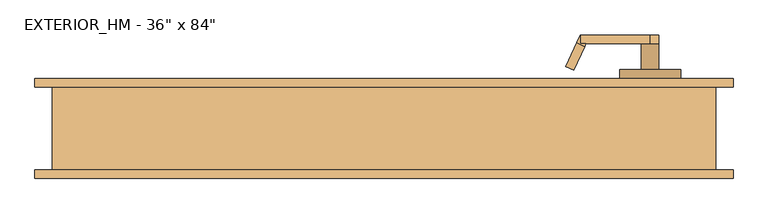
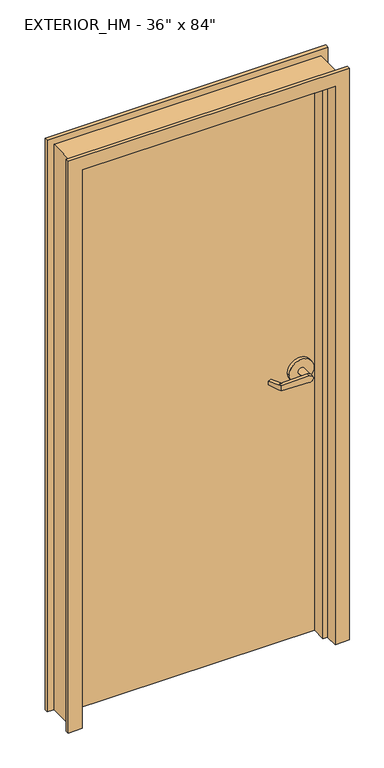
"""IFC4 building model written with IfcOpenShell, lengths in millimetres: door geometry."""

from ifc_helpers import new_model, si_unit, frame, origin, origin_with_axes, place, context, project, spatial, polyline, circle_curve, outline, extrude, faceted_brep, source, transform, mapped, element, save
from ifc_brep_helpers import plane_surface, cylinder_surface, advanced_brep


def door_cdde29d0(model_context):
    return source(origin(), model_context, "Body", "SolidModel", [
        advanced_brep(
        [(291.892857, -18.0476392, 1006.475), (275.7911012, 16.4826875, 1009.65), (275.7911012, 16.4826875, 1022.35), (291.892857, -18.0476392, 1025.525), (293.8407923, -22.225, 1025.525), (293.8407923, -22.225, 1006.475), (285.75, -34.925, 1025.525), (280.3827481, -23.4148911, 1025.525), (264.2809923, 11.1154356, 1022.35), (264.2809923, 11.1154356, 1009.65), (280.3827481, -23.4148911, 1006.475), (285.75, -34.925, 1006.475), (285.75, -22.225, 1006.475), (285.75, -22.225, 1025.525), (386.9525418, -34.925, 1003.3062209), (386.9525418, -34.925, 1028.6937791), (386.9525418, -22.225, 1028.6937791), (374.65, -22.225, 1016.0), (386.9525418, -22.225, 1003.3062209), (400.05, -22.225, 1016.0), (400.05, 15.875, 1016.0), (374.65, 15.875, 1016.0), (431.8, 15.875, 1016.0), (342.9, 15.875, 1016.0), (431.8, 28.575, 1016.0), (342.9, 28.575, 1016.0)],
        [
            (0, 1),
            (1, 2),
            (2, 3),
            (3, 4),
            (4, 5),
            (5, 0),
            (6, 7),
            (7, 8),
            (8, 9),
            (9, 10),
            (10, 11),
            (11, 6),
            (10, 0),
            (5, 12),
            (12, 11),
            (9, 1),
            (8, 2),
            (7, 3),
            (6, 13),
            (13, 4),
            (11, 14),
            (14, 15, circle_curve(frame((387.35, -34.925, 1016.0), z_axis=(0.0, -1.0, 0.0), x_axis=(-1.0, 0.0, 0.0)), 12.7)),
            (15, 6),
            (13, 16),
            (16, 17, circle_curve(frame((387.35, -22.225, 1016.0), z_axis=(0.0, -1.0, 0.0), x_axis=(-1.0, 0.0, 0.0)), 12.7)),
            (17, 18, circle_curve(frame((387.35, -22.225, 1016.0), z_axis=(0.0, -1.0, 0.0), x_axis=(-1.0, 0.0, 0.0)), 12.7)),
            (18, 12),
            (18, 14),
            (18, 19, circle_curve(frame((387.35, -22.225, 1016.0), z_axis=(0.0, -1.0, 0.0), x_axis=(-1.0, 0.0, 0.0)), 12.7)),
            (19, 16, circle_curve(frame((387.35, -22.225, 1016.0), z_axis=(0.0, -1.0, 0.0), x_axis=(-1.0, 0.0, 0.0)), 12.7)),
            (16, 15),
            (19, 20),
            (20, 21, circle_curve(frame((387.35, 15.875, 1016.0), z_axis=(0.0, -1.0, 0.0), x_axis=(-1.0, 0.0, 0.0)), 12.7)),
            (21, 17),
            (21, 20, circle_curve(frame((387.35, 15.875, 1016.0), z_axis=(0.0, -1.0, 0.0), x_axis=(-1.0, 0.0, 0.0)), 12.7)),
            (22, 23, circle_curve(frame((387.35, 15.875, 1016.0), z_axis=(0.0, -1.0, 0.0), x_axis=(-1.0, 0.0, 0.0)), 44.45)),
            (23, 22, circle_curve(frame((387.35, 15.875, 1016.0), z_axis=(0.0, -1.0, 0.0), x_axis=(-1.0, 0.0, 0.0)), 44.45)),
            (24, 25, circle_curve(frame((387.35, 28.575, 1016.0), z_axis=(0.0, 1.0, 0.0), x_axis=(-1.0, 0.0, 0.0)), 44.45)),
            (25, 24, circle_curve(frame((387.35, 28.575, 1016.0), z_axis=(0.0, 1.0, 0.0), x_axis=(-1.0, 0.0, 0.0)), 44.45)),
            (22, 24),
            (25, 23),
        ],
        [
            plane_surface(frame((297.2601089, -29.5577481, 1006.475), z_axis=(0.9063077870366494, 0.4226182617407007, 0.0), x_axis=(0.0, 0.0, -1.0))),
            plane_surface(frame((285.75, -34.925, 1006.475), z_axis=(-0.9063077870366494, -0.4226182617407007, 0.0), x_axis=(0.0, 0.0, 1.0))),
            plane_surface(frame((297.2601089, -29.5577481, 1006.475), z_axis=(0.0, 0.0, -1.0000000000000002), x_axis=(-0.9063077870366494, -0.42261826174070094, 0.0))),
            plane_surface(frame((291.892857, -18.0476392, 1006.475), z_axis=(-0.035096536341209586, 0.07526476506963879, -0.9965457582448799), x_axis=(-0.9063077870366494, -0.42261826174070094, 0.0))),
            plane_surface(frame((275.7911012, 16.4826875, 1009.65), z_axis=(-0.42261826174070094, 0.9063077870366494, 0.0), x_axis=(-0.9063077870366494, -0.42261826174070094, 0.0))),
            plane_surface(frame((275.7911012, 16.4826875, 1022.35), z_axis=(-0.03509653634121044, 0.07526476506964089, 0.9965457582448796), x_axis=(-0.9063077870366495, -0.42261826174070033, 0.0))),
            plane_surface(frame((291.892857, -18.0476392, 1025.525), z_axis=(0.0, 0.0, 1.0000000000000002), x_axis=(-0.9063077870366494, -0.42261826174070094, 0.0))),
            plane_surface(frame((285.75, -34.925, 1006.475), z_axis=(0.0, -1.0, 0.0), x_axis=(0.9995101626549141, 0.0, -0.03129592225110647))),
            plane_surface(frame((285.75, -22.225, 1006.475), z_axis=(0.0, 1.0, 0.0), x_axis=(-0.9995101626549141, 0.0, 0.03129592225110647))),
            plane_surface(frame((285.75, -34.925, 1006.475), z_axis=(-0.03129592225110647, 0.0, -0.9995101626549141), x_axis=(0.0, 1.0, 0.0))),
            cylinder_surface(frame((387.35, -22.225, 1016.0), z_axis=(0.0, -1.0, 0.0), x_axis=(-1.0, 0.0, 0.0)), 12.7),
            plane_surface(frame((386.9525418, -34.925, 1028.6937791), z_axis=(-0.03129592225110282, 0.0, 0.9995101626549142), x_axis=(0.0, 1.0, 0.0))),
            cylinder_surface(frame((387.35, 15.875, 1016.0), z_axis=(0.0, -1.0, 0.0), x_axis=(-1.0, 0.0, 0.0)), 12.7),
            plane_surface(frame((342.9, 15.875, 1016.0), z_axis=(0.0, -1.0, 0.0), x_axis=(0.0, 0.0, -1.0))),
            plane_surface(frame((342.9, 28.575, 1016.0), z_axis=(0.0, 1.0, 0.0), x_axis=(0.0, 0.0, 1.0))),
            cylinder_surface(frame((387.35, 28.575, 1016.0), z_axis=(0.0, -1.0, 0.0), x_axis=(-1.0, 0.0, 0.0)), 44.45),
        ],
        [
            (0, [[1, 2, 3, 4, 5, 6]]),
            (1, [[7, 8, 9, 10, 11, 12]]),
            (2, [[-11, 13, -6, 14, 15]]),
            (3, [[-1, -13, -10, 16]]),
            (4, [[-2, -16, -9, 17]]),
            (5, [[-3, -17, -8, 18]]),
            (6, [[-7, 19, 20, -4, -18]]),
            (7, [[21, 22, 23, -12]]),
            (8, [[24, 25, 26, 27, -14, -5, -20]]),
            (9, [[-21, -15, -27, 28]]),
            (10, [[-22, -28, 29, 30, 31]]),
            (11, [[-23, -31, -24, -19]]),
            (12, [[32, 33, 34, -25, -30]]),
            (12, [[-32, -29, -26, -34, 35]]),
            (13, [[36, 37], [-33, -35]]),
            (14, [[38, 39]]),
            (15, [[-36, 40, -39, 41]]),
            (15, [[-37, -41, -38, -40]]),
        ],
    ),
        advanced_brep(
        [(291.892857, 119.6476392, 1025.525), (275.7911012, 85.1173125, 1022.35), (275.7911012, 85.1173125, 1009.65), (291.892857, 119.6476392, 1006.475), (293.8407923, 123.825, 1006.475), (293.8407923, 123.825, 1025.525), (285.75, 136.525, 1006.475), (280.3827481, 125.0148911, 1006.475), (264.2809923, 90.4845644, 1009.65), (264.2809923, 90.4845644, 1022.35), (280.3827481, 125.0148911, 1025.525), (285.75, 136.525, 1025.525), (285.75, 123.825, 1025.525), (285.75, 123.825, 1006.475), (386.9525418, 136.525, 1028.6937791), (386.9525418, 136.525, 1003.3062209), (386.9525418, 123.825, 1003.3062209), (374.65, 123.825, 1016.0), (386.9525418, 123.825, 1028.6937791), (400.05, 123.825, 1016.0), (400.05, 85.725, 1016.0), (374.65, 85.725, 1016.0), (431.8, 85.725, 1016.0), (342.9, 85.725, 1016.0), (431.8, 73.025, 1016.0), (342.9, 73.025, 1016.0)],
        [
            (0, 1),
            (1, 2),
            (2, 3),
            (3, 4),
            (4, 5),
            (5, 0),
            (6, 7),
            (7, 8),
            (8, 9),
            (9, 10),
            (10, 11),
            (11, 6),
            (10, 0),
            (5, 12),
            (12, 11),
            (9, 1),
            (8, 2),
            (7, 3),
            (6, 13),
            (13, 4),
            (11, 14),
            (14, 15, circle_curve(frame((387.35, 136.525, 1016.0), z_axis=(0.0, 1.0, 0.0), x_axis=(-1.0, 0.0, 0.0)), 12.7)),
            (15, 6),
            (13, 16),
            (16, 17, circle_curve(frame((387.35, 123.825, 1016.0), z_axis=(0.0, 1.0, 0.0), x_axis=(-1.0, 0.0, 0.0)), 12.7)),
            (17, 18, circle_curve(frame((387.35, 123.825, 1016.0), z_axis=(0.0, 1.0, 0.0), x_axis=(-1.0, 0.0, 0.0)), 12.7)),
            (18, 12),
            (18, 14),
            (18, 19, circle_curve(frame((387.35, 123.825, 1016.0), z_axis=(0.0, 1.0, 0.0), x_axis=(-1.0, 0.0, 0.0)), 12.7)),
            (19, 16, circle_curve(frame((387.35, 123.825, 1016.0), z_axis=(0.0, 1.0, 0.0), x_axis=(-1.0, 0.0, 0.0)), 12.7)),
            (16, 15),
            (19, 20),
            (20, 21, circle_curve(frame((387.35, 85.725, 1016.0), z_axis=(0.0, 1.0, 0.0), x_axis=(-1.0, 0.0, 0.0)), 12.7)),
            (21, 17),
            (21, 20, circle_curve(frame((387.35, 85.725, 1016.0), z_axis=(0.0, 1.0, 0.0), x_axis=(-1.0, 0.0, 0.0)), 12.7)),
            (22, 23, circle_curve(frame((387.35, 85.725, 1016.0), z_axis=(0.0, 1.0, 0.0), x_axis=(-1.0, 0.0, 0.0)), 44.45)),
            (23, 22, circle_curve(frame((387.35, 85.725, 1016.0), z_axis=(0.0, 1.0, 0.0), x_axis=(-1.0, 0.0, 0.0)), 44.45)),
            (24, 25, circle_curve(frame((387.35, 73.025, 1016.0), z_axis=(0.0, -1.0, 0.0), x_axis=(-1.0, 0.0, 0.0)), 44.45)),
            (25, 24, circle_curve(frame((387.35, 73.025, 1016.0), z_axis=(0.0, -1.0, 0.0), x_axis=(-1.0, 0.0, 0.0)), 44.45)),
            (22, 24),
            (25, 23),
        ],
        [
            plane_surface(frame((297.2601089, 131.1577481, 1025.525), z_axis=(0.9063077870366494, -0.4226182617407007, 0.0), x_axis=(0.0, 0.0, 1.0))),
            plane_surface(frame((285.75, 136.525, 1025.525), z_axis=(-0.9063077870366494, 0.4226182617407007, 0.0), x_axis=(0.0, 0.0, -1.0))),
            plane_surface(frame((297.2601089, 131.1577481, 1025.525), z_axis=(0.0, 0.0, 1.0000000000000002), x_axis=(-0.9063077870366494, 0.42261826174070094, 0.0))),
            plane_surface(frame((291.892857, 119.6476392, 1025.525), z_axis=(-0.03509653634120952, -0.07526476506963879, 0.9965457582448799), x_axis=(-0.9063077870366494, 0.42261826174070094, 0.0))),
            plane_surface(frame((275.7911012, 85.1173125, 1022.35), z_axis=(-0.42261826174070094, -0.9063077870366494, 0.0), x_axis=(-0.9063077870366494, 0.42261826174070094, 0.0))),
            plane_surface(frame((275.7911012, 85.1173125, 1009.65), z_axis=(-0.03509653634121051, -0.07526476506964089, -0.9965457582448796), x_axis=(-0.9063077870366495, 0.42261826174070033, 0.0))),
            plane_surface(frame((291.892857, 119.6476392, 1006.475), z_axis=(0.0, 0.0, -1.0000000000000002), x_axis=(-0.9063077870366494, 0.42261826174070094, 0.0))),
            plane_surface(frame((285.75, 136.525, 1025.525), z_axis=(0.0, 1.0, 0.0), x_axis=(0.9995101626549141, 0.0, 0.0312959222511064))),
            plane_surface(frame((285.75, 123.825, 1025.525), z_axis=(0.0, -1.0, 0.0), x_axis=(-0.9995101626549141, 0.0, -0.0312959222511064))),
            plane_surface(frame((285.75, 136.525, 1025.525), z_axis=(-0.0312959222511064, 0.0, 0.9995101626549141), x_axis=(0.0, -1.0, 0.0))),
            cylinder_surface(frame((387.35, 123.825, 1016.0), z_axis=(0.0, 1.0, 0.0), x_axis=(-1.0, 0.0, 0.0)), 12.7),
            plane_surface(frame((386.9525418, 136.525, 1003.3062209), z_axis=(-0.03129592225110289, 0.0, -0.9995101626549142), x_axis=(0.0, -1.0, 0.0))),
            cylinder_surface(frame((387.35, 85.725, 1016.0), z_axis=(0.0, 1.0, 0.0), x_axis=(-1.0, 0.0, 0.0)), 12.7),
            plane_surface(frame((342.9, 85.725, 1016.0), z_axis=(0.0, 1.0, 0.0), x_axis=(0.0, 0.0, 1.0))),
            plane_surface(frame((342.9, 73.025, 1016.0), z_axis=(0.0, -1.0, 0.0), x_axis=(0.0, 0.0, -1.0))),
            cylinder_surface(frame((387.35, 73.025, 1016.0), z_axis=(0.0, 1.0, 0.0), x_axis=(-1.0, 0.0, 0.0)), 44.45),
        ],
        [
            (0, [[1, 2, 3, 4, 5, 6]]),
            (1, [[7, 8, 9, 10, 11, 12]]),
            (2, [[-11, 13, -6, 14, 15]]),
            (3, [[-1, -13, -10, 16]]),
            (4, [[-2, -16, -9, 17]]),
            (5, [[-3, -17, -8, 18]]),
            (6, [[-7, 19, 20, -4, -18]]),
            (7, [[21, 22, 23, -12]]),
            (8, [[24, 25, 26, 27, -14, -5, -20]]),
            (9, [[-21, -15, -27, 28]]),
            (10, [[-22, -28, 29, 30, 31]]),
            (11, [[-23, -31, -24, -19]]),
            (12, [[32, 33, 34, -25, -30]]),
            (12, [[-32, -29, -26, -34, 35]]),
            (13, [[36, 37], [-33, -35]]),
            (14, [[38, 39]]),
            (15, [[-36, 40, -39, 41]]),
            (15, [[-37, -41, -38, -40]]),
        ],
    ),
        extrude(outline(polyline([(-457.2, 73.025), (457.2, 73.025), (457.2, 28.575), (-457.2, 28.575), (-457.2, 73.025)])), origin_with_axes(), (0.0, 0.0, 1.0), 2133.6),
        faceted_brep([(-457.2, 73.025, 0.0), (-457.2, 25.2662566, 0.0), (-441.325, 25.2662566, 0.0), (-441.325, -25.2662566, 0.0), (-457.2, -25.2662566, 0.0), (-457.2, -73.025, 0.0), (-508.0, -73.025, 0.0), (-508.0, -60.325, 0.0), (-482.6, -60.325, 0.0), (-482.6, 60.325, 0.0), (-508.0, 60.325, 0.0), (-508.0, 73.025, 0.0), (-457.2, 73.025, 2133.6), (-457.2, 25.2662566, 2133.6), (457.2, 25.2662566, 2133.6), (457.2, 25.2662566, 0.0), (441.325, 25.2662566, 0.0), (441.325, 25.2662566, 2117.725), (-441.325, 25.2662566, 2117.725), (-441.325, -25.2662566, 2117.725), (441.325, -25.2662566, 2117.725), (441.325, -25.2662566, 0.0), (457.2, -25.2662566, 0.0), (457.2, -25.2662566, 2133.6), (-457.2, -25.2662566, 2133.6), (-457.2, -73.025, 2133.6), (457.2, -73.025, 2133.6), (457.2, -73.025, 0.0), (508.0, -73.025, 0.0), (508.0, -73.025, 2184.4), (-508.0, -73.025, 2184.4), (-508.0, -60.325, 2184.4), (508.0, -60.325, 2184.4), (508.0, -60.325, 0.0), (482.6, -60.325, 0.0), (482.6, -60.325, 2159.0), (-482.6, -60.325, 2159.0), (-482.6, 60.325, 2159.0), (482.6, 60.325, 2159.0), (482.6, 60.325, 0.0), (508.0, 60.325, 0.0), (508.0, 60.325, 2184.4), (-508.0, 60.325, 2184.4), (-508.0, 73.025, 2184.4), (508.0, 73.025, 2184.4), (508.0, 73.025, 0.0), (457.2, 73.025, 0.0), (457.2, 73.025, 2133.6)], [[[0, 1, 2, 3, 4, 5, 6, 7, 8, 9, 10, 11]], [[1, 0, 12, 13]], [[2, 1, 13, 14, 15, 16, 17, 18]], [[3, 2, 18, 19]], [[4, 3, 19, 20, 21, 22, 23, 24]], [[5, 4, 24, 25]], [[6, 5, 25, 26, 27, 28, 29, 30]], [[7, 6, 30, 31]], [[8, 7, 31, 32, 33, 34, 35, 36]], [[9, 8, 36, 37]], [[10, 9, 37, 38, 39, 40, 41, 42]], [[11, 10, 42, 43]], [[0, 11, 43, 44, 45, 46, 47, 12]], [[14, 47, 46, 15]], [[46, 45, 40, 39, 34, 33, 28, 27, 22, 21, 16, 15]], [[20, 17, 16, 21]], [[26, 23, 22, 27]], [[32, 29, 28, 33]], [[38, 35, 34, 39]], [[44, 41, 40, 45]], [[13, 12, 47, 14]], [[19, 18, 17, 20]], [[25, 24, 23, 26]], [[31, 30, 29, 32]], [[37, 36, 35, 38]], [[43, 42, 41, 44]]]),
    ])


if __name__ == "__main__":
    model = new_model("IFC4")
    model_context = context("Model", 3, world=origin())
    ifc_project = project(units=[si_unit("LENGTHUNIT", "METRE", prefix="MILLI")], contexts=[model_context])
    site = spatial("IfcSite", under=ifc_project)
    building = spatial("IfcBuilding", under=site)
    placement = place(None, origin())
    door_shape = door_cdde29d0(model_context)
    element("IfcDoor", 1, ObjectType="EXTERIOR_HM - 36\" x 84\"", at=placement, inside=building, context=model_context, shape_type="MappedRepresentation", body=[
        mapped(door_shape, transform((0.0, 0.0, 0.0), x_axis=(1.0, 0.0, 0.0), y_axis=(0.0, 1.0, 0.0), z_axis=(0.0, 0.0, 1.0))),
    ])
    save(model, "model.ifc")
